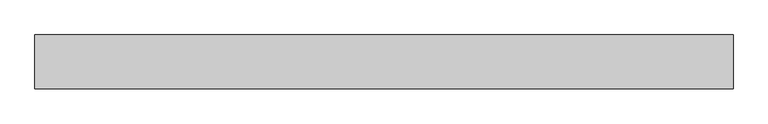
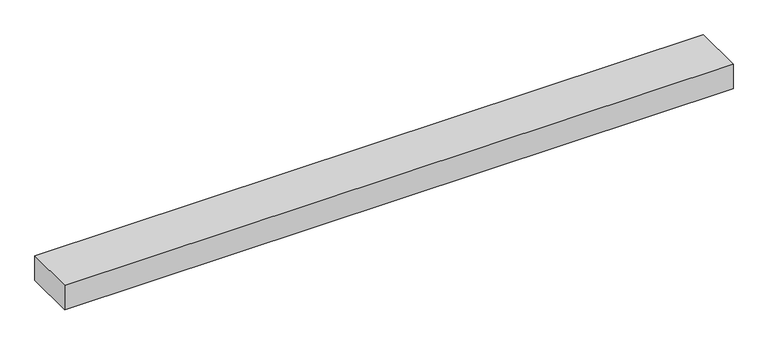
"""IFC4 building model written with IfcOpenShell, lengths in millimetres: proxy geometry."""

from ifc_helpers import new_model, si_unit, origin, origin_with_axes, place, context, project, spatial, polyline, outline, extrude, source, transform, mapped, element, save


def generic_models_224948ac(model_context):
    return source(origin(), model_context, "Body", "SweptSolid", [
        extrude(outline(polyline([(2600.0, -100.0), (0.0, -100.0), (0.0, 100.0), (2600.0, 100.0), (2600.0, -100.0)])), origin_with_axes(), (0.0, 0.0, 1.0), 100.0),
    ])


if __name__ == "__main__":
    model = new_model("IFC4")
    model_context = context("Model", 3, world=origin())
    ifc_project = project(units=[si_unit("LENGTHUNIT", "METRE", prefix="MILLI")], contexts=[model_context])
    site = spatial("IfcSite", under=ifc_project)
    building = spatial("IfcBuilding", under=site)
    placement = place(None, origin())
    generic_models_shape = generic_models_224948ac(model_context)
    element("IfcBuildingElementProxy", 1, Name="Generic Models", at=placement, inside=building, context=model_context, shape_type="MappedRepresentation", body=[
        mapped(generic_models_shape, transform((0.0, 0.0, 0.0), x_axis=(1.0, 0.0, 0.0), y_axis=(0.0, 1.0, 0.0), z_axis=(0.0, 0.0, 1.0))),
    ])
    save(model, "model.ifc")
